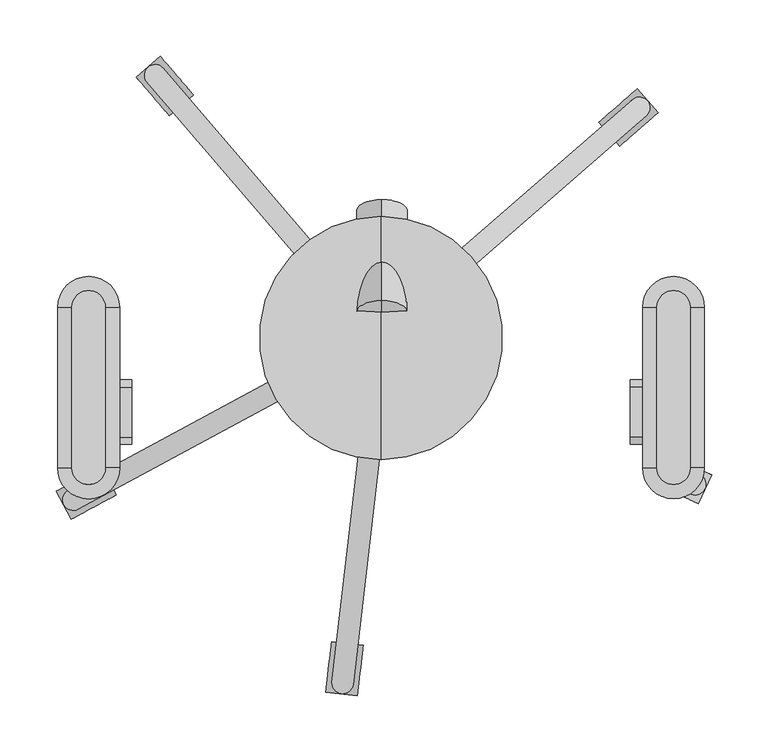
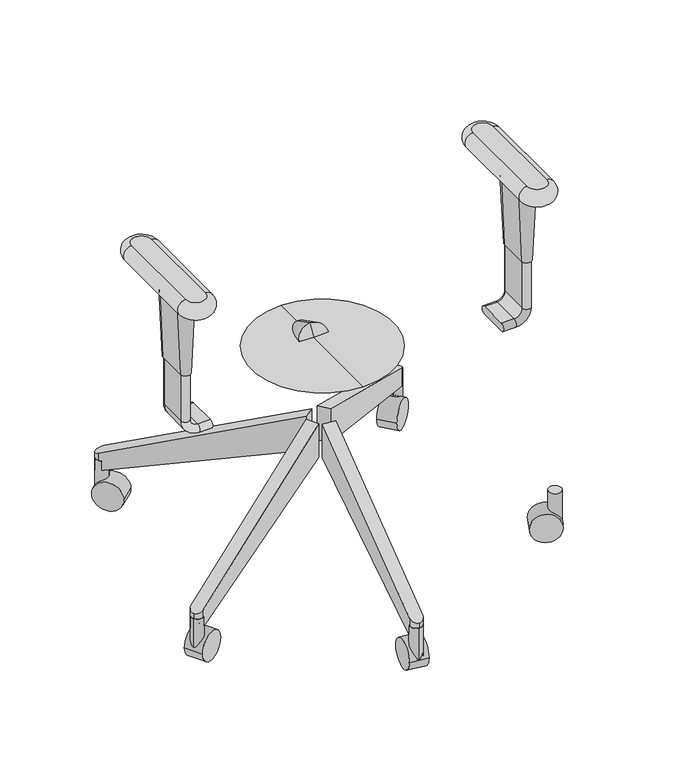
"""IFC4 building model written with IfcOpenShell, lengths in millimetres: proxy geometry."""

from ifc_helpers import new_model, si_unit, point, frame, frame_2d, origin, place, context, project, spatial, polyline, circle_curve, ellipse_curve, trimmed, segment, composite_curve, outline, extrude, source, transform, mapped, element, save
from ifc_brep_helpers import plane_surface, cylinder_surface, revolved_surface, advanced_brep


def specialty_equipment_5da43e03(model_context):
    return source(origin(), model_context, "Body", "SolidModel", [
        advanced_brep(
        [(-244.7915853, 65.3190125, 564.9459091), (-274.5248755, 65.3190125, 564.9459091), (-274.5248755, -77.131927, 564.9459091), (-244.7915853, -77.131927, 564.9459091), (-274.5248755, 65.3190125, 539.608165), (-244.7915853, 65.3190125, 539.608165), (-244.7915853, -77.131927, 539.608165), (-274.5248755, -77.131927, 539.608165)],
        [
            (0, 1, circle_curve(frame((-259.6582304, 65.3190125, 564.9459091), z_axis=(0.0, 0.0, 1.0), x_axis=(1.0, 0.0, 0.0)), 14.8666451)),
            (1, 2),
            (2, 3, circle_curve(frame((-259.6582304, -77.131927, 564.9459091), z_axis=(0.0, 0.0, 1.0), x_axis=(-1.0, 0.0, 0.0)), 14.8666451)),
            (3, 0),
            (4, 5, circle_curve(frame((-259.6582304, 65.3190125, 539.608165), z_axis=(0.0, 0.0, -1.0), x_axis=(1.0, 0.0, 0.0)), 14.8666451)),
            (5, 6),
            (6, 7, circle_curve(frame((-259.6582304, -77.131927, 539.608165), z_axis=(0.0, 0.0, -1.0), x_axis=(-1.0, 0.0, 0.0)), 14.8666451)),
            (7, 4),
            (4, 1, circle_curve(frame((-274.5248755, 65.3190125, 552.277037), z_axis=(0.0, 1.0, 0.0), x_axis=(1.0, 0.0, 0.0)), 12.668872)),
            (0, 5, circle_curve(frame((-244.7915853, 65.3190125, 552.277037), z_axis=(0.0, 1.0, 0.0), x_axis=(-1.0, 0.0, 0.0)), 12.668872)),
            (7, 2, circle_curve(frame((-274.5248755, -77.131927, 552.277037), z_axis=(0.0, 1.0, 0.0), x_axis=(1.0, 0.0, 0.0)), 12.668872)),
            (6, 3, circle_curve(frame((-244.7915853, -77.131927, 552.277037), z_axis=(0.0, -1.0, 0.0), x_axis=(-1.0, 0.0, 0.0)), 12.668872)),
        ],
        [
            plane_surface(frame((-232.0214447, 65.3190125, 564.9459091), z_axis=(0.0, 0.0, 1.0), x_axis=(0.0, 1.0, 0.0))),
            plane_surface(frame((-232.0214447, 65.3190125, 539.608165), z_axis=(0.0, 0.0, -1.0), x_axis=(0.0, -1.0, 0.0))),
            revolved_surface(trimmed(ellipse_curve(frame((-244.7915853, 65.3190125, 552.277037), z_axis=(0.0, -1.0, 0.0), x_axis=(-1.0, 0.0, 0.0)), 12.668872, 12.668872), [point((-244.7915853, 65.3190125, 539.608165))], [point((-244.7915853, 65.3190125, 564.9459091))], True, "CARTESIAN"), (-259.6582304, 65.3190125, 564.9459091), (0.0, 0.0, 1.0)),
            cylinder_surface(frame((-274.5248755, 65.3190125, 552.277037), z_axis=(0.0, -1.0, 0.0), x_axis=(1.0, 0.0, 0.0)), 12.668872),
            revolved_surface(trimmed(ellipse_curve(frame((-274.5248755, -77.131927, 552.277037), z_axis=(0.0, 1.0, 0.0), x_axis=(1.0, 0.0, 0.0)), 12.668872, 12.668872), [point((-274.5248755, -77.131927, 539.608165))], [point((-274.5248755, -77.131927, 564.9459091))], True, "CARTESIAN"), (-259.6582304, -77.131927, 564.9459091), (0.0, 0.0, 1.0)),
            cylinder_surface(frame((-244.7915853, -77.131927, 552.277037), z_axis=(0.0, 1.0, 0.0), x_axis=(-1.0, 0.0, 0.0)), 12.668872),
        ],
        [
            (0, [[1, 2, 3, 4]]),
            (1, [[5, 6, 7, 8]]),
            (2, [[9, -1, 10, -5]]),
            (3, [[-9, -8, 11, -2]]),
            (4, [[-11, -7, 12, -3]]),
            (5, [[-10, -4, -12, -6]]),
        ],
    ),
        advanced_brep(
        [(-272.2112726, -5.4550281, 539.608165), (-272.2112726, -49.9050281, 539.608165), (-246.8112726, -49.9050281, 539.608165), (-246.8112726, -5.4550281, 539.608165), (-267.4487726, -5.4550281, 425.6440254), (-251.5737726, -5.4550281, 425.6440254), (-251.5737726, -49.9050281, 425.6440254), (-267.4487726, -49.9050281, 425.6440254)],
        [
            (0, 1),
            (1, 2, circle_curve(frame((-259.5112726, -49.9050281, 539.608165), z_axis=(0.0, 0.0, 1.0), x_axis=(-1.0, 0.0, 0.0)), 12.7)),
            (2, 3),
            (3, 0, circle_curve(frame((-259.5112726, -5.4550281, 539.608165), z_axis=(0.0, 0.0, 1.0), x_axis=(1.0, 0.0, 0.0)), 12.7)),
            (4, 5, circle_curve(frame((-259.5112726, -5.4550281, 425.6440254), z_axis=(0.0, 0.0, -1.0), x_axis=(1.0, 0.0, 0.0)), 7.9375)),
            (5, 6),
            (6, 7, circle_curve(frame((-259.5112726, -49.9050281, 425.6440254), z_axis=(0.0, 0.0, -1.0), x_axis=(-1.0, 0.0, 0.0)), 7.9375)),
            (7, 4),
            (0, 4),
            (7, 1),
            (6, 2),
            (5, 3),
        ],
        [
            plane_surface(frame((-259.5112726, -27.6800281, 539.608165), z_axis=(0.0, 0.0, 1.0), x_axis=(0.0, -1.0, 0.0))),
            plane_surface(frame((-259.5112726, -27.6800281, 425.6440254), z_axis=(0.0, 0.0, -1.0), x_axis=(0.0, -1.0, 0.0))),
            plane_surface(frame((-267.4487726, -27.6800281, 425.6440254), z_axis=(-0.9991279624642644, 0.0, -0.04175301931606388), x_axis=(0.0, -1.0, 0.0))),
            revolved_surface(polyline([(-251.57377260104474, -49.9050281, 425.6440254), (-246.8112726, -49.9050281, 539.608165)]), (-259.5112726, -49.9050281, 235.7037928), (0.0, 0.0, 1.0)),
            plane_surface(frame((-251.5737726, -27.6800281, 425.6440254), z_axis=(0.9991279624642645, 0.0, -0.04175301931606151), x_axis=(0.0, 1.0, 0.0))),
            revolved_surface(polyline([(-267.44877259895526, -5.4550281, 425.6440254), (-272.2112726, -5.4550281, 539.608165)]), (-259.5112726, -5.4550281, 235.7037928), (0.0, 0.0, 1.0)),
        ],
        [
            (0, [[1, 2, 3, 4]]),
            (1, [[5, 6, 7, 8]]),
            (2, [[-1, 9, -8, 10]]),
            (3, [[-2, -10, -7, 11]]),
            (4, [[-3, -11, -6, 12]]),
            (5, [[-4, -12, -5, -9]]),
        ],
    ),
        advanced_brep(
        [(-221.4112726, -5.4550281, 324.0440254), (-221.4112726, -5.4550281, 336.7440254), (-221.4112726, -49.9050281, 336.7440254), (-221.4112726, -49.9050281, 324.0440254), (-240.4612726, -5.4550281, 324.0440254), (-240.4612726, -5.4550281, 336.7440254), (-240.4612726, -49.9050281, 336.7440254), (-240.4612726, -49.9050281, 324.0440254), (-253.1612726, -5.4550281, 349.4440254), (-265.8612726, -5.4550281, 349.4440254), (-253.1612726, -49.9050281, 349.4440254), (-265.8612726, -49.9050281, 349.4440254), (-265.8612726, -5.4550281, 425.6440254), (-265.8612726, -49.9050281, 425.6440254), (-253.1612726, -49.9050281, 425.6440254), (-253.1612726, -5.4550281, 425.6440254)],
        [
            (0, 1, circle_curve(frame((-221.4112726, -5.4550281, 330.3940254), z_axis=(1.0, 0.0, 0.0), x_axis=(0.0, 1.0, 0.0)), 6.35)),
            (1, 2),
            (2, 3, circle_curve(frame((-221.4112726, -49.9050281, 330.3940254), z_axis=(1.0, 0.0, 0.0), x_axis=(0.0, 1.0, 0.0)), 6.35)),
            (3, 0),
            (0, 4),
            (4, 5, circle_curve(frame((-240.4612726, -5.4550281, 330.3940254), z_axis=(1.0, 0.0, 0.0), x_axis=(0.0, 1.0, 0.0)), 6.35)),
            (5, 1),
            (5, 6),
            (6, 2),
            (6, 7, circle_curve(frame((-240.4612726, -49.9050281, 330.3940254), z_axis=(1.0, 0.0, 0.0), x_axis=(0.0, 1.0, 0.0)), 6.35)),
            (7, 3),
            (7, 4),
            (8, 5, circle_curve(frame((-240.4612726, -5.4550281, 349.4440254), z_axis=(0.0, -1.0, 0.0), x_axis=(0.0, 0.0, -1.0)), 12.7)),
            (4, 9, circle_curve(frame((-240.4612726, -5.4550281, 349.4440254), z_axis=(0.0, 1.0, 0.0), x_axis=(0.0, 0.0, -1.0)), 25.4)),
            (9, 8, circle_curve(frame((-259.5112726, -5.4550281, 349.4440254), z_axis=(0.0, 0.0, -1.0), x_axis=(0.0, 1.0, 0.0)), 6.35)),
            (10, 6, circle_curve(frame((-240.4612726, -49.9050281, 349.4440254), z_axis=(0.0, -1.0, 0.0), x_axis=(0.0, 0.0, -1.0)), 12.7)),
            (8, 10),
            (11, 7, circle_curve(frame((-240.4612726, -49.9050281, 349.4440254), z_axis=(0.0, -1.0, 0.0), x_axis=(0.0, 0.0, -1.0)), 25.4)),
            (10, 11, circle_curve(frame((-259.5112726, -49.9050281, 349.4440254), z_axis=(0.0, 0.0, -1.0), x_axis=(0.0, 1.0, 0.0)), 6.35)),
            (11, 9),
            (12, 13),
            (13, 14, circle_curve(frame((-259.5112726, -49.9050281, 425.6440254), z_axis=(0.0, 0.0, 1.0), x_axis=(0.0, 1.0, 0.0)), 6.35)),
            (14, 15),
            (15, 12, circle_curve(frame((-259.5112726, -5.4550281, 425.6440254), z_axis=(0.0, 0.0, 1.0), x_axis=(0.0, 1.0, 0.0)), 6.35)),
            (9, 12),
            (15, 8),
            (14, 10),
            (13, 11),
        ],
        [
            plane_surface(frame((-221.4112726, -31.75, 324.0440254), z_axis=(1.0, 0.0, 0.0), x_axis=(0.0, 1.0, 0.0))),
            cylinder_surface(frame((-221.4112726, -5.4550281, 330.3940254), z_axis=(1.0, 0.0, 0.0), x_axis=(0.0, 1.0, 0.0)), 6.35),
            plane_surface(frame((-221.4112726, -5.4550281, 336.7440254), z_axis=(0.0, 0.0, 1.0), x_axis=(-1.0, 0.0, 0.0))),
            cylinder_surface(frame((-221.4112726, -49.9050281, 330.3940254), z_axis=(1.0, 0.0, 0.0), x_axis=(0.0, 1.0, 0.0)), 6.35),
            plane_surface(frame((-221.4112726, -49.9050281, 324.0440254), z_axis=(0.0, 0.0, -1.0), x_axis=(-1.0, 0.0, 0.0))),
            revolved_surface(trimmed(ellipse_curve(frame((-240.4612726, -5.4550281, 330.3940254), z_axis=(1.0, 0.0, 0.0), x_axis=(0.0, 1.0, 0.0)), 6.35, 6.35), [point((-240.4612726, -5.4550281, 324.0440254))], [point((-240.4612726, -5.4550281, 336.7440254))], True, "CARTESIAN"), (-240.4612726, -31.75, 349.4440254), (0.0, 1.0, 0.0)),
            revolved_surface(polyline([(-240.4612726, -5.4550281, 336.7440254), (-240.4612726, -49.9050281, 336.7440254)]), (-240.4612726, -31.75, 349.4440254), (0.0, 1.0, 0.0)),
            revolved_surface(trimmed(ellipse_curve(frame((-240.4612726, -49.9050281, 330.3940254), z_axis=(1.0, 0.0, 0.0), x_axis=(0.0, 1.0, 0.0)), 6.35, 6.35), [point((-240.4612726, -49.9050281, 336.7440254))], [point((-240.4612726, -49.9050281, 324.0440254))], True, "CARTESIAN"), (-240.4612726, -31.75, 349.4440254), (0.0, 1.0, 0.0)),
            cylinder_surface(frame((-240.4612726, -31.75, 349.4440254), z_axis=(0.0, 1.0, 0.0), x_axis=(0.0, 0.0, -1.0)), 25.4),
            plane_surface(frame((-265.8612726, -31.75, 425.6440254), z_axis=(0.0, 0.0, 1.0), x_axis=(0.0, 1.0, 0.0))),
            cylinder_surface(frame((-259.5112726, -5.4550281, 349.4440254), z_axis=(0.0, 0.0, -1.0), x_axis=(0.0, 1.0, 0.0)), 6.35),
            plane_surface(frame((-253.1612726, -5.4550281, 349.4440254), z_axis=(1.0, 0.0, 0.0), x_axis=(0.0, 0.0, 1.0))),
            cylinder_surface(frame((-259.5112726, -49.9050281, 349.4440254), z_axis=(0.0, 0.0, -1.0), x_axis=(0.0, 1.0, 0.0)), 6.35),
            plane_surface(frame((-265.8612726, -49.9050281, 349.4440254), z_axis=(-1.0, 0.0, 0.0), x_axis=(0.0, 0.0, 1.0))),
        ],
        [
            (0, [[1, 2, 3, 4]]),
            (1, [[-1, 5, 6, 7]]),
            (2, [[-2, -7, 8, 9]]),
            (3, [[-3, -9, 10, 11]]),
            (4, [[-4, -11, 12, -5]]),
            (5, [[13, -6, 14, 15]]),
            (6, [[16, -8, -13, 17]]),
            (7, [[18, -10, -16, 19]]),
            (8, [[-14, -12, -18, 20]]),
            (9, [[21, 22, 23, 24]]),
            (10, [[-15, 25, -24, 26]]),
            (11, [[-17, -26, -23, 27]]),
            (12, [[-19, -27, -22, 28]]),
            (13, [[-20, -28, -21, -25]]),
        ],
    ),
        advanced_brep(
        [(274.4746752, 65.3190125, 564.9459091), (244.8417856, 65.3190125, 564.9459091), (244.8417856, -77.131927, 564.9459091), (274.4746752, -77.131927, 564.9459091), (244.8417856, 65.3190125, 539.608165), (274.4746752, 65.3190125, 539.608165), (274.4746752, -77.131927, 539.608165), (244.8417856, -77.131927, 539.608165)],
        [
            (0, 1, circle_curve(frame((259.6582304, 65.3190125, 564.9459091), z_axis=(0.0, 0.0, 1.0), x_axis=(1.0, 0.0, 0.0)), 14.8164448)),
            (1, 2),
            (2, 3, circle_curve(frame((259.6582304, -77.131927, 564.9459091), z_axis=(0.0, 0.0, 1.0), x_axis=(-1.0, 0.0, 0.0)), 14.8164448)),
            (3, 0),
            (4, 5, circle_curve(frame((259.6582304, 65.3190125, 539.608165), z_axis=(0.0, 0.0, -1.0), x_axis=(1.0, 0.0, 0.0)), 14.8164448)),
            (5, 6),
            (6, 7, circle_curve(frame((259.6582304, -77.131927, 539.608165), z_axis=(0.0, 0.0, -1.0), x_axis=(-1.0, 0.0, 0.0)), 14.8164448)),
            (7, 4),
            (4, 1, circle_curve(frame((244.8417856, 65.3190125, 552.277037), z_axis=(0.0, 1.0, 0.0), x_axis=(1.0, 0.0, 0.0)), 12.668872)),
            (0, 5, circle_curve(frame((274.4746752, 65.3190125, 552.277037), z_axis=(0.0, 1.0, 0.0), x_axis=(-1.0, 0.0, 0.0)), 12.668872)),
            (7, 2, circle_curve(frame((244.8417856, -77.131927, 552.277037), z_axis=(0.0, 1.0, 0.0), x_axis=(1.0, 0.0, 0.0)), 12.668872)),
            (6, 3, circle_curve(frame((274.4746752, -77.131927, 552.277037), z_axis=(0.0, -1.0, 0.0), x_axis=(-1.0, 0.0, 0.0)), 12.668872)),
        ],
        [
            plane_surface(frame((232.0214447, 59.2606364, 564.9459091), z_axis=(0.0, 0.0, 1.0), x_axis=(0.0, -1.0, 0.0))),
            plane_surface(frame((232.0214447, 59.2606364, 539.608165), z_axis=(0.0, 0.0, -1.0), x_axis=(0.0, 1.0, 0.0))),
            revolved_surface(trimmed(ellipse_curve(frame((274.4746752, 65.3190125, 552.277037), z_axis=(0.0, -1.0, 0.0), x_axis=(-1.0, 0.0, 0.0)), 12.668872, 12.668872), [point((274.4746752, 65.3190125, 539.608165))], [point((274.4746752, 65.3190125, 564.9459091))], True, "CARTESIAN"), (259.6582304, 65.3190125, 564.9459091), (0.0, 0.0, 1.0)),
            cylinder_surface(frame((244.8417856, 65.3190125, 552.277037), z_axis=(0.0, -1.0, 0.0), x_axis=(1.0, 0.0, 0.0)), 12.668872),
            revolved_surface(trimmed(ellipse_curve(frame((244.8417856, -77.131927, 552.277037), z_axis=(0.0, 1.0, 0.0), x_axis=(1.0, 0.0, 0.0)), 12.668872, 12.668872), [point((244.8417856, -77.131927, 539.608165))], [point((244.8417856, -77.131927, 564.9459091))], True, "CARTESIAN"), (259.6582304, -77.131927, 564.9459091), (0.0, 0.0, 1.0)),
            cylinder_surface(frame((274.4746752, -77.131927, 552.277037), z_axis=(0.0, 1.0, 0.0), x_axis=(-1.0, 0.0, 0.0)), 12.668872),
        ],
        [
            (0, [[1, 2, 3, 4]]),
            (1, [[5, 6, 7, 8]]),
            (2, [[9, -1, 10, -5]]),
            (3, [[-9, -8, 11, -2]]),
            (4, [[-11, -7, 12, -3]]),
            (5, [[-10, -4, -12, -6]]),
        ],
    ),
        advanced_brep(
        [(272.2112726, -5.4550281, 539.608165), (246.8112726, -5.4550281, 539.608165), (246.8112726, -49.9050281, 539.608165), (272.2112726, -49.9050281, 539.608165), (267.4487726, -5.4550281, 425.6440254), (267.4487726, -49.9050281, 425.6440254), (251.5737726, -49.9050281, 425.6440254), (251.5737726, -5.4550281, 425.6440254)],
        [
            (0, 1, circle_curve(frame((259.5112726, -5.4550281, 539.608165), z_axis=(0.0, 0.0, 1.0), x_axis=(1.0, 0.0, 0.0)), 12.7)),
            (1, 2),
            (2, 3, circle_curve(frame((259.5112726, -49.9050281, 539.608165), z_axis=(0.0, 0.0, 1.0), x_axis=(-1.0, 0.0, 0.0)), 12.7)),
            (3, 0),
            (4, 5),
            (5, 6, circle_curve(frame((259.5112726, -49.9050281, 425.6440254), z_axis=(0.0, 0.0, -1.0), x_axis=(-1.0, 0.0, 0.0)), 7.9375)),
            (6, 7),
            (7, 4, circle_curve(frame((259.5112726, -5.4550281, 425.6440254), z_axis=(0.0, 0.0, -1.0), x_axis=(1.0, 0.0, 0.0)), 7.9375)),
            (0, 4),
            (7, 1),
            (6, 2),
            (5, 3),
        ],
        [
            plane_surface(frame((259.5112726, -27.6800281, 539.608165), z_axis=(0.0, 0.0, 1.0), x_axis=(0.0, 1.0, 0.0))),
            plane_surface(frame((259.5112726, -27.6800281, 425.6440254), z_axis=(0.0, 0.0, -1.0), x_axis=(0.0, 1.0, 0.0))),
            revolved_surface(polyline([(251.57377260104474, -5.4550281, 425.6440254), (246.8112726, -5.4550281, 539.608165)]), (259.5112726, -5.4550281, 235.7037928), (0.0, 0.0, 1.0)),
            plane_surface(frame((251.5737726, -27.6800281, 425.6440254), z_axis=(-0.9991279624642644, 0.0, -0.04175301931606269), x_axis=(0.0, -1.0, 0.0))),
            revolved_surface(polyline([(267.44877259895526, -49.9050281, 425.6440254), (272.2112726, -49.9050281, 539.608165)]), (259.5112726, -49.9050281, 235.7037928), (0.0, 0.0, 1.0)),
            plane_surface(frame((267.4487726, -27.6800281, 425.6440254), z_axis=(0.9991279624642644, 0.0, -0.04175301931606269), x_axis=(0.0, 1.0, 0.0))),
        ],
        [
            (0, [[1, 2, 3, 4]]),
            (1, [[5, 6, 7, 8]]),
            (2, [[-1, 9, -8, 10]]),
            (3, [[-2, -10, -7, 11]]),
            (4, [[-3, -11, -6, 12]]),
            (5, [[-4, -12, -5, -9]]),
        ],
    ),
        advanced_brep(
        [(221.4112726, -5.4550281, 324.0440254), (221.4112726, -49.9050281, 324.0440254), (221.4112726, -49.9050281, 336.7440254), (221.4112726, -5.4550281, 336.7440254), (240.4612726, -5.4550281, 324.0440254), (240.4612726, -49.9050281, 324.0440254), (240.4612726, -49.9050281, 336.7440254), (240.4612726, -5.4550281, 336.7440254), (265.8612726, -49.9050281, 349.4440254), (265.8612726, -5.4550281, 349.4440254), (253.1612726, -49.9050281, 349.4440254), (253.1612726, -5.4550281, 349.4440254), (265.8612726, -5.4550281, 425.6440254), (253.1612726, -5.4550281, 425.6440254), (253.1612726, -49.9050281, 425.6440254), (265.8612726, -49.9050281, 425.6440254)],
        [
            (0, 1),
            (1, 2, circle_curve(frame((221.4112726, -49.9050281, 330.3940254), z_axis=(-1.0, 0.0, 0.0), x_axis=(0.0, 1.0, 0.0)), 6.35)),
            (2, 3),
            (3, 0, circle_curve(frame((221.4112726, -5.4550281, 330.3940254), z_axis=(-1.0, 0.0, 0.0), x_axis=(0.0, 1.0, 0.0)), 6.35)),
            (0, 4),
            (4, 5),
            (5, 1),
            (5, 6, circle_curve(frame((240.4612726, -49.9050281, 330.3940254), z_axis=(-1.0, 0.0, 0.0), x_axis=(0.0, 1.0, 0.0)), 6.35)),
            (6, 2),
            (6, 7),
            (7, 3),
            (7, 4, circle_curve(frame((240.4612726, -5.4550281, 330.3940254), z_axis=(-1.0, 0.0, 0.0), x_axis=(0.0, 1.0, 0.0)), 6.35)),
            (8, 5, circle_curve(frame((240.4612726, -49.9050281, 349.4440254), z_axis=(0.0, 1.0, 0.0), x_axis=(0.0, 0.0, -1.0)), 25.4)),
            (4, 9, circle_curve(frame((240.4612726, -5.4550281, 349.4440254), z_axis=(0.0, -1.0, 0.0), x_axis=(0.0, 0.0, -1.0)), 25.4)),
            (9, 8),
            (10, 6, circle_curve(frame((240.4612726, -49.9050281, 349.4440254), z_axis=(0.0, 1.0, 0.0), x_axis=(0.0, 0.0, -1.0)), 12.7)),
            (8, 10, circle_curve(frame((259.5112726, -49.9050281, 349.4440254), z_axis=(0.0, 0.0, -1.0), x_axis=(0.0, 1.0, 0.0)), 6.35)),
            (11, 7, circle_curve(frame((240.4612726, -5.4550281, 349.4440254), z_axis=(0.0, 1.0, 0.0), x_axis=(0.0, 0.0, -1.0)), 12.7)),
            (10, 11),
            (11, 9, circle_curve(frame((259.5112726, -5.4550281, 349.4440254), z_axis=(0.0, 0.0, -1.0), x_axis=(0.0, 1.0, 0.0)), 6.35)),
            (12, 13, circle_curve(frame((259.5112726, -5.4550281, 425.6440254), z_axis=(0.0, 0.0, 1.0), x_axis=(0.0, 1.0, 0.0)), 6.35)),
            (13, 14),
            (14, 15, circle_curve(frame((259.5112726, -49.9050281, 425.6440254), z_axis=(0.0, 0.0, 1.0), x_axis=(0.0, 1.0, 0.0)), 6.35)),
            (15, 12),
            (9, 12),
            (15, 8),
            (14, 10),
            (13, 11),
        ],
        [
            plane_surface(frame((221.4112726, -31.75, 324.0440254), z_axis=(-1.0, 0.0, 0.0), x_axis=(0.0, 1.0, 0.0))),
            plane_surface(frame((221.4112726, -5.4550281, 324.0440254), z_axis=(0.0, 0.0, -1.0), x_axis=(1.0, 0.0, 0.0))),
            cylinder_surface(frame((221.4112726, -49.9050281, 330.3940254), z_axis=(-1.0, 0.0, 0.0), x_axis=(0.0, 1.0, 0.0)), 6.35),
            plane_surface(frame((221.4112726, -49.9050281, 336.7440254), z_axis=(0.0, 0.0, 1.0), x_axis=(1.0, 0.0, 0.0))),
            cylinder_surface(frame((221.4112726, -5.4550281, 330.3940254), z_axis=(-1.0, 0.0, 0.0), x_axis=(0.0, 1.0, 0.0)), 6.35),
            cylinder_surface(frame((240.4612726, -31.75, 349.4440254), z_axis=(0.0, -1.0, 0.0), x_axis=(0.0, 0.0, -1.0)), 25.4),
            revolved_surface(trimmed(ellipse_curve(frame((240.4612726, -49.9050281, 330.3940254), z_axis=(-1.0, 0.0, 0.0), x_axis=(0.0, 1.0, 0.0)), 6.35, 6.35), [point((240.4612726, -49.9050281, 324.0440254))], [point((240.4612726, -49.9050281, 336.7440254))], True, "CARTESIAN"), (240.4612726, -31.75, 349.4440254), (0.0, -1.0, 0.0)),
            revolved_surface(polyline([(240.4612726, -49.9050281, 336.7440254), (240.4612726, -5.4550281, 336.7440254)]), (240.4612726, -31.75, 349.4440254), (0.0, -1.0, 0.0)),
            revolved_surface(trimmed(ellipse_curve(frame((240.4612726, -5.4550281, 330.3940254), z_axis=(-1.0, 0.0, 0.0), x_axis=(0.0, 1.0, 0.0)), 6.35, 6.35), [point((240.4612726, -5.4550281, 336.7440254))], [point((240.4612726, -5.4550281, 324.0440254))], True, "CARTESIAN"), (240.4612726, -31.75, 349.4440254), (0.0, -1.0, 0.0)),
            plane_surface(frame((265.8612726, -31.75, 425.6440254), z_axis=(0.0, 0.0, 1.0), x_axis=(0.0, 1.0, 0.0))),
            plane_surface(frame((265.8612726, -5.4550281, 349.4440254), z_axis=(1.0, 0.0, 0.0), x_axis=(0.0, 0.0, 1.0))),
            cylinder_surface(frame((259.5112726, -49.9050281, 349.4440254), z_axis=(0.0, 0.0, -1.0), x_axis=(0.0, 1.0, 0.0)), 6.35),
            plane_surface(frame((253.1612726, -49.9050281, 349.4440254), z_axis=(-1.0, 0.0, 0.0), x_axis=(0.0, 0.0, 1.0))),
            cylinder_surface(frame((259.5112726, -5.4550281, 349.4440254), z_axis=(0.0, 0.0, -1.0), x_axis=(0.0, 1.0, 0.0)), 6.35),
        ],
        [
            (0, [[1, 2, 3, 4]]),
            (1, [[-1, 5, 6, 7]]),
            (2, [[-2, -7, 8, 9]]),
            (3, [[-3, -9, 10, 11]]),
            (4, [[-4, -11, 12, -5]]),
            (5, [[13, -6, 14, 15]]),
            (6, [[16, -8, -13, 17]]),
            (7, [[18, -10, -16, 19]]),
            (8, [[-14, -12, -18, 20]]),
            (9, [[21, 22, 23, 24]]),
            (10, [[-15, 25, -24, 26]]),
            (11, [[-17, -26, -23, 27]]),
            (12, [[-19, -27, -22, 28]]),
            (13, [[-20, -28, -21, -25]]),
        ],
    ),
        advanced_brep(
        [(0.7579549, 50.7773619, 300.8203454), (0.7579549, 71.2714503, 341.0422587), (0.7579549, 59.9704355, 321.4683269), (0.7579549, 140.5414689, 255.0832484), (0.7579549, 161.0355573, 295.3051617), (0.7579549, 156.2865878, 272.3927961)],
        [
            (0, 1, circle_curve(frame((0.7579549, 61.0244061, 320.931302), z_axis=(0.0, -0.8910065241883681, 0.45399049973954636), x_axis=(0.0, 0.45399049973954636, 0.8910065241883681)), 22.5710543)),
            (1, 2),
            (2, 0),
            (1, 0, circle_curve(frame((0.7579549, 61.0244061, 320.931302), z_axis=(0.0, -0.8910065241883681, 0.45399049973954636), x_axis=(0.0, 0.45399049973954636, 0.8910065241883681)), 22.5710543)),
            (3, 4, circle_curve(frame((0.7579549, 150.7885131, 275.1942051), z_axis=(0.0, -0.8910065241883681, 0.45399049973954636), x_axis=(0.0, 0.45399049973954636, 0.8910065241883681)), 22.5710543)),
            (4, 1),
            (0, 3),
            (4, 3, circle_curve(frame((0.7579549, 150.7885131, 275.1942051), z_axis=(0.0, -0.8910065241883681, 0.45399049973954636), x_axis=(0.0, 0.45399049973954636, 0.8910065241883681)), 22.5710543)),
            (5, 4, circle_curve(frame((0.7579549, 116.7564404, 292.5344122), z_axis=(1.0, 0.0, 0.0), x_axis=(0.0, 1.0, 0.0)), 44.3657216)),
            (3, 5, circle_curve(frame((0.7579549, 116.7564404, 292.5344122), z_axis=(1.0, 0.0, 0.0), x_axis=(0.0, 0.587785252292474, -0.8090169943749469)), 44.3657216)),
        ],
        [
            revolved_surface(polyline([(0.7579549, 59.9704355, 321.4683269), (0.7579549, 71.2714503, 341.0422587)]), (0.7579549, 89.8360219, 306.2510506), (0.0, 0.8910065241883681, -0.45399049973954636)),
            cylinder_surface(frame((0.7579549, 89.8360219, 306.2510506), z_axis=(0.0, 0.8910065241883681, -0.45399049973954636), x_axis=(0.0, 0.45399049973954636, 0.8910065241883681)), 22.5710543),
            revolved_surface(trimmed(ellipse_curve(frame((0.7579549, 116.7564404, 292.5344122), z_axis=(-1.0, 0.0, 0.0), x_axis=(0.0, 1.0, 0.0)), 44.3657216, 44.3657216), [point((0.7579549, 161.0355573, 295.3051617))], [point((0.7579549, 156.2865878, 272.3927961))], True, "CARTESIAN"), (0.7579549, 89.8360219, 306.2510506), (0.0, 0.8910065241883681, -0.45399049973954636)),
        ],
        [
            (0, [[1, 2, 3]]),
            (0, [[4, -3, -2]]),
            (1, [[5, 6, -1, 7]]),
            (1, [[8, -7, -4, -6]]),
            (2, [[9, -5, 10]]),
            (2, [[-10, -8, -9]]),
        ],
    ),
        advanced_brep(
        [(0.0, 38.1, 324.0440254), (0.0, -69.85, 324.0440254), (0.0, 146.05, 324.0440254), (0.0, 50.8, 278.9664474), (0.0, 25.4, 278.9664474), (0.0, 38.1, 278.9664474)],
        [
            (0, 1),
            (1, 2, circle_curve(frame((0.0, 38.1, 324.0440254), z_axis=(0.0, 0.0, 1.0), x_axis=(0.0, -1.0, 0.0)), 107.95)),
            (2, 0),
            (2, 1, circle_curve(frame((0.0, 38.1, 324.0440254), z_axis=(0.0, 0.0, 1.0), x_axis=(0.0, -1.0, 0.0)), 107.95)),
            (3, 4, circle_curve(frame((0.0, 38.1, 278.9664474), z_axis=(0.0, 0.0, -1.0), x_axis=(0.0, -1.0, 0.0)), 12.7)),
            (4, 5),
            (5, 3),
            (4, 3, circle_curve(frame((0.0, 38.1, 278.9664474), z_axis=(0.0, 0.0, -1.0), x_axis=(0.0, -1.0, 0.0)), 12.7)),
            (1, 4),
            (3, 2),
        ],
        [
            plane_surface(frame((0.0, 38.1, 324.0440254), z_axis=(0.0, 0.0, 1.0), x_axis=(0.0, -1.0, 0.0))),
            plane_surface(frame((0.0, 38.1, 278.9664474), z_axis=(0.0, 0.0, -1.0), x_axis=(0.0, -1.0, 0.0))),
            revolved_surface(polyline([(0.0, 25.4, 278.9664474), (0.0, -69.85, 324.0440254)]), (0.0, 38.1, 278.9664474), (0.0, 0.0, 1.0)),
        ],
        [
            (0, [[1, 2, 3]]),
            (0, [[-3, 4, -1]]),
            (1, [[5, 6, 7]]),
            (1, [[8, -7, -6]]),
            (2, [[-2, 9, -5, 10]]),
            (2, [[-4, -10, -8, -9]]),
        ],
    ),
        advanced_brep(
        [(-35.2798856, -277.5318237, 73.9191719), (-24.8402492, -269.635782, 73.9191719), (-33.0987126, -258.7169749, 73.9191719), (-43.6580109, -267.9440949, 73.9191719), (-35.2798856, -277.5318237, 24.010186), (-43.6580109, -267.9440949, 24.010186), (-33.0987126, -258.7169749, 24.010186), (-24.8402492, -269.635782, 24.010186)],
        [
            (0, 1, circle_curve(frame((-34.1892991, -268.1243993, 73.9191719), z_axis=(0.0, 0.0, 1.0), x_axis=(0.1151570430509366, 0.9933472984992534, 0.0)), 9.4704283)),
            (1, 2, circle_curve(frame((-34.1892991, -268.1243993, 73.9191719), z_axis=(0.0, 0.0, 1.0), x_axis=(0.1151570430509366, 0.9933472984992534, 0.0)), 9.4704283)),
            (2, 3, circle_curve(frame((-34.1892991, -268.1243993, 73.9191719), z_axis=(0.0, 0.0, 1.0), x_axis=(0.1151570430509366, 0.9933472984992534, 0.0)), 9.4704283)),
            (3, 0, circle_curve(frame((-34.1892991, -268.1243993, 73.9191719), z_axis=(0.0, 0.0, 1.0), x_axis=(0.1151570430509366, 0.9933472984992534, 0.0)), 9.4704283)),
            (4, 5, circle_curve(frame((-34.1892991, -268.1243993, 24.010186), z_axis=(0.0, 0.0, -1.0), x_axis=(0.1151570430509366, 0.9933472984992534, 0.0)), 9.4704283)),
            (5, 6, circle_curve(frame((-34.1892991, -268.1243993, 24.010186), z_axis=(0.0, 0.0, -1.0), x_axis=(0.1151570430509366, 0.9933472984992534, 0.0)), 9.4704283)),
            (6, 7, circle_curve(frame((-34.1892991, -268.1243993, 24.010186), z_axis=(0.0, 0.0, -1.0), x_axis=(0.1151570430509366, 0.9933472984992534, 0.0)), 9.4704283)),
            (7, 4, circle_curve(frame((-34.1892991, -268.1243993, 24.010186), z_axis=(0.0, 0.0, -1.0), x_axis=(0.1151570430509366, 0.9933472984992534, 0.0)), 9.4704283)),
            (0, 4),
            (6, 2),
        ],
        [
            plane_surface(frame((-33.0987126, -258.7169749, 73.9191719), z_axis=(0.0, 0.0, 1.0000000000000002), x_axis=(-0.9933472984992534, 0.1151570430509366, 0.0))),
            plane_surface(frame((-33.0987126, -258.7169749, 24.010186), z_axis=(0.0, 0.0, -1.0000000000000002), x_axis=(0.9933472984992534, -0.1151570430509366, 0.0))),
            cylinder_surface(frame((-34.1892991, -268.1243993, 24.010186), z_axis=(0.0, 0.0, 1.0000000000000002), x_axis=(0.1151570430509366, 0.9933472984992534, 0.0)), 9.4704283),
        ],
        [
            (0, [[1, 2, 3, 4]]),
            (1, [[5, 6, 7, 8]]),
            (2, [[9, -8, -7, 10, -2, -1]]),
            (2, [[-9, -4, -3, -10, -6, -5]]),
        ],
    ),
        advanced_brep(
        [(-10.2230636, 20.4665287, 158.3164474), (-10.2230636, 20.4665287, 212.7487443), (8.5386668, 18.2915135, 212.7487443), (8.5386668, 18.2915135, 158.3164474), (-24.8402492, -269.635782, 57.8258095), (-35.2798856, -277.5318237, 54.689734), (-43.6580109, -267.9440949, 57.6571213), (-24.8402492, -269.635782, 86.2220806), (-43.6580109, -267.9440949, 86.0096871), (-35.2798856, -277.5318237, 82.2734822)],
        [
            (0, 1),
            (1, 2),
            (2, 3),
            (3, 0),
            (3, 4),
            (4, 5, ellipse_curve(frame((-34.1892991, -268.1243993, 57.9730562), z_axis=(0.03772137343102609, 0.3253854336709328, -0.9448287768380345), x_axis=(-0.1088036881301013, -0.9385431130164155, -0.3275646233321655)), 10.0234334, 9.4704283)),
            (5, 6, ellipse_curve(frame((-34.1892991, -268.1243993, 57.9730562), z_axis=(0.03772137343102609, 0.3253854336709328, -0.9448287768380345), x_axis=(-0.1088036881301013, -0.9385431130164155, -0.3275646233321655)), 10.0234334, 9.4704283)),
            (6, 0),
            (2, 7),
            (7, 4),
            (1, 8),
            (8, 9, ellipse_curve(frame((-34.1892991, -268.1243993, 86.4074773), z_axis=(-0.046069943732865715, -0.3974003928601444, 0.9164881276039825), x_axis=(-0.10554006276616408, -0.910391005662055, -0.400061885163966)), 10.333389, 9.4704283)),
            (9, 7, ellipse_curve(frame((-34.1892991, -268.1243993, 86.4074773), z_axis=(-0.046069943732865715, -0.3974003928601444, 0.9164881276039825), x_axis=(-0.10554006276616408, -0.910391005662055, -0.400061885163966)), 10.333389, 9.4704283)),
            (6, 8),
            (5, 9),
        ],
        [
            plane_surface(frame((-0.8421984, 19.3790211, 185.5325958), z_axis=(0.11515704305094802, 0.9933472984992521, 0.0), x_axis=(0.0, 0.0, 1.0))),
            plane_surface(frame((-0.8421984, 19.3790211, 158.3164474), z_axis=(0.03772137343102609, 0.3253854336709328, -0.9448287768380345), x_axis=(0.9933472984992534, -0.1151570430509366, 0.0))),
            plane_surface(frame((8.5386668, 18.2915135, 185.5325958), z_axis=(0.9933472984992534, -0.11515704305093587, 0.0), x_axis=(0.0, 0.0, 1.0))),
            plane_surface(frame((-0.8421984, 19.3790211, 212.7487443), z_axis=(-0.046069943732865715, -0.3974003928601444, 0.9164881276039825), x_axis=(-0.9933472984992534, 0.1151570430509366, 0.0))),
            plane_surface(frame((-10.2230636, 20.4665287, 185.5325958), z_axis=(-0.9933472984992533, 0.11515704305093748, 0.0), x_axis=(0.0, 0.0, -1.0))),
            cylinder_surface(frame((-34.1892991, -268.1243993, 0.0), z_axis=(0.0, 0.0, -1.0000000000000002), x_axis=(0.1151570430509366, 0.9933472984992534, 0.0)), 9.4704283),
        ],
        [
            (0, [[1, 2, 3, 4]]),
            (1, [[-4, 5, 6, 7, 8]]),
            (2, [[-3, 9, 10, -5]]),
            (3, [[-2, 11, 12, 13, -9]]),
            (4, [[-1, -8, 14, -11]]),
            (5, [[15, -12, -14, -7]]),
            (5, [[-15, -6, -10, -13]]),
        ],
    ),
        extrude(outline(composite_curve([segment(trimmed(circle_curve(frame_2d((0.0, -22.5683941)), 22.5683942), [point((0.0, -45.1367884))], [point((0.0, 0.0))], False, "CARTESIAN"), True, "CONTINUOUS"), segment(trimmed(circle_curve(frame_2d((0.0, -22.5683941)), 22.5683942), [point((0.0, 0.0))], [point((0.0, -45.1367884))], False, "CARTESIAN"), True, "CONTINUOUS")], self_intersect=False)), frame((-235.2623876, -101.1887519, 22.3266274), z_axis=(-0.475429476302697, 0.8797538366284875, 0.0), x_axis=(0.0, 0.0, 1.0)), (0.0, 0.0, 1.0), 28.170451),
        extrude(outline(composite_curve([segment(trimmed(circle_curve(frame_2d((0.0, -22.5683942)), 22.5683942), [point((0.0, -45.1367883))], [point((0.0, 0.0))], False, "CARTESIAN"), True, "CONTINUOUS"), segment(trimmed(circle_curve(frame_2d((0.0, -22.5683942)), 22.5683942), [point((0.0, 0.0))], [point((0.0, -45.1367883))], False, "CARTESIAN"), True, "CONTINUOUS")], self_intersect=False)), frame((-15.9266679, -234.5485115, 22.3266274), z_axis=(-0.9933472984992534, 0.1151570430509366, 0.0), x_axis=(0.0, 0.0, 1.0)), (0.0, 0.0, 1.0), 28.170451),
        advanced_brep(
        [(-281.5728053, -109.989739, 73.9191719), (-269.1168171, -114.0124051, 73.9191719), (-264.909514, -100.9846975, 73.9191719), (-278.5244929, -97.6274853, 73.9191719), (-281.5728053, -109.989739, 24.010186), (-278.5244929, -97.6274853, 24.010186), (-264.909514, -100.9846975, 24.010186), (-269.1168171, -114.0124051, 24.010186)],
        [
            (0, 1, circle_curve(frame((-273.2411596, -105.4872182, 73.9191719), z_axis=(0.0, 0.0, 1.0), x_axis=(0.8797538366284874, 0.475429476302697, 0.0)), 9.4704283)),
            (1, 2, circle_curve(frame((-273.2411596, -105.4872182, 73.9191719), z_axis=(0.0, 0.0, 1.0), x_axis=(0.8797538366284874, 0.475429476302697, 0.0)), 9.4704283)),
            (2, 3, circle_curve(frame((-273.2411596, -105.4872182, 73.9191719), z_axis=(0.0, 0.0, 1.0), x_axis=(0.8797538366284874, 0.475429476302697, 0.0)), 9.4704283)),
            (3, 0, circle_curve(frame((-273.2411596, -105.4872182, 73.9191719), z_axis=(0.0, 0.0, 1.0), x_axis=(0.8797538366284874, 0.475429476302697, 0.0)), 9.4704283)),
            (4, 5, circle_curve(frame((-273.2411596, -105.4872182, 24.010186), z_axis=(0.0, 0.0, -1.0), x_axis=(0.8797538366284874, 0.475429476302697, 0.0)), 9.4704283)),
            (5, 6, circle_curve(frame((-273.2411596, -105.4872182, 24.010186), z_axis=(0.0, 0.0, -1.0), x_axis=(0.8797538366284874, 0.475429476302697, 0.0)), 9.4704283)),
            (6, 7, circle_curve(frame((-273.2411596, -105.4872182, 24.010186), z_axis=(0.0, 0.0, -1.0), x_axis=(0.8797538366284874, 0.475429476302697, 0.0)), 9.4704283)),
            (7, 4, circle_curve(frame((-273.2411596, -105.4872182, 24.010186), z_axis=(0.0, 0.0, -1.0), x_axis=(0.8797538366284874, 0.475429476302697, 0.0)), 9.4704283)),
            (0, 4),
            (6, 2),
        ],
        [
            plane_surface(frame((-264.909514, -100.9846975, 73.9191719), z_axis=(0.0, 0.0, 1.0), x_axis=(-0.475429476302697, 0.8797538366284874, 0.0))),
            plane_surface(frame((-264.909514, -100.9846975, 24.010186), z_axis=(0.0, 0.0, -1.0), x_axis=(0.475429476302697, -0.8797538366284874, 0.0))),
            cylinder_surface(frame((-273.2411596, -105.4872182, 24.010186), z_axis=(0.0, 0.0, 1.0), x_axis=(0.8797538366284874, 0.475429476302697, 0.0)), 9.4704283),
        ],
        [
            (0, [[1, 2, 3, 4]]),
            (1, [[5, 6, 7, 8]]),
            (2, [[9, -8, -7, 10, -2, -1]]),
            (2, [[-9, -4, -3, -10, -6, -5]]),
        ],
    ),
        advanced_brep(
        [(-23.0948431, 40.4097469, 158.3164474), (-23.0948431, 40.4097469, 212.7487443), (-14.1152247, 23.7934997, 212.7487443), (-14.1152247, 23.7934997, 158.3164474), (-269.1168171, -114.0124051, 57.8258095), (-281.5728053, -109.989739, 54.689734), (-278.5244929, -97.6274853, 57.6571213), (-269.1168171, -114.0124051, 86.2220806), (-278.5244929, -97.6274853, 86.0096871), (-281.5728053, -109.989739, 82.2734822)],
        [
            (0, 1),
            (1, 2),
            (2, 3),
            (3, 0),
            (3, 4),
            (4, 5, ellipse_curve(frame((-273.2411596, -105.4872182, 57.9730562), z_axis=(0.28817623412023846, 0.15573387732610194, -0.9448287768380345), x_axis=(-0.8312167413802618, -0.44919945056782457, -0.32756462333216557)), 10.0234334, 9.4704283)),
            (5, 6, ellipse_curve(frame((-273.2411596, -105.4872182, 57.9730562), z_axis=(0.28817623412023846, 0.15573387732610194, -0.9448287768380345), x_axis=(-0.8312167413802618, -0.44919945056782457, -0.32756462333216557)), 10.0234334, 9.4704283)),
            (6, 0),
            (2, 7),
            (7, 4),
            (1, 8),
            (8, 9, ellipse_curve(frame((-273.2411596, -105.4872182, 86.4074773), z_axis=(-0.35195597836182463, -0.19020121255217418, 0.9164881276039823), x_axis=(-0.8062839464840623, -0.43572547054440075, -0.40006188516396635)), 10.333389, 9.4704283)),
            (9, 7, ellipse_curve(frame((-273.2411596, -105.4872182, 86.4074773), z_axis=(-0.35195597836182463, -0.19020121255217418, 0.9164881276039823), x_axis=(-0.8062839464840623, -0.43572547054440075, -0.40006188516396635)), 10.333389, 9.4704283)),
            (6, 8),
            (5, 9),
        ],
        [
            plane_surface(frame((-18.6050339, 32.1016233, 185.5325958), z_axis=(0.8797538366284872, 0.4754294763026976, 0.0), x_axis=(0.0, 0.0, 1.0))),
            plane_surface(frame((-18.6050339, 32.1016233, 158.3164474), z_axis=(0.28817623412023846, 0.15573387732610194, -0.9448287768380345), x_axis=(0.475429476302697, -0.8797538366284874, 0.0))),
            plane_surface(frame((-14.1152247, 23.7934997, 185.5325958), z_axis=(0.475429476302697, -0.8797538366284875, 0.0), x_axis=(0.0, 0.0, 1.0))),
            plane_surface(frame((-18.6050339, 32.1016233, 212.7487443), z_axis=(-0.35195597836182463, -0.19020121255217418, 0.9164881276039823), x_axis=(-0.475429476302697, 0.8797538366284874, 0.0))),
            plane_surface(frame((-23.0948431, 40.4097469, 185.5325958), z_axis=(-0.4754294763026961, 0.8797538366284879, 0.0), x_axis=(0.0, 0.0, -1.0))),
            cylinder_surface(frame((-273.2411596, -105.4872182, 0.0), z_axis=(0.0, 0.0, -1.0), x_axis=(0.8797538366284874, 0.475429476302697, 0.0)), 9.4704283),
        ],
        [
            (0, [[1, 2, 3, 4]]),
            (1, [[-4, 5, 6, 7, 8]]),
            (2, [[-3, 9, 10, -5]]),
            (3, [[-2, 11, 12, 13, -9]]),
            (4, [[-1, -8, 14, -11]]),
            (5, [[15, -12, -14, -7]]),
            (5, [[-15, -6, -10, -13]]),
        ],
    ),
        extrude(outline(composite_curve([segment(trimmed(circle_curve(frame_2d((0.0, -22.5683941)), 22.5683942), [point((0.0, -45.1367883))], [point((0.0, 0.0))], False, "CARTESIAN"), True, "CONTINUOUS"), segment(trimmed(circle_curve(frame_2d((0.0, -22.5683941)), 22.5683942), [point((0.0, 0.0))], [point((0.0, -45.1367883))], False, "CARTESIAN"), True, "CONTINUOUS")], self_intersect=False)), frame((-188.0389342, 235.6208075, 22.3266274), z_axis=(0.7591272317932002, 0.6509422754361504, 0.0), x_axis=(0.0, 0.0, 1.0)), (0.0, 0.0, 1.0), 28.170451),
        advanced_brep(
        [(-206.7344855, 278.7707437, 73.9191719), (-208.3188762, 266.1371681, 73.9191719), (-194.4050812, 264.3922237, 73.9191719), (-193.6642242, 278.0623991, 73.9191719), (-206.7344855, 278.7707437, 24.010186), (-193.6642242, 278.0623991, 24.010186), (-194.4050812, 264.3922237, 24.010186), (-208.3188762, 266.1371681, 24.010186)],
        [
            (0, 1, circle_curve(frame((-200.5697833, 271.5814837, 73.9191719), z_axis=(0.0, 0.0, 1.0), x_axis=(0.6509422754361504, -0.7591272317932001, 0.0)), 9.4704283)),
            (1, 2, circle_curve(frame((-200.5697833, 271.5814837, 73.9191719), z_axis=(0.0, 0.0, 1.0), x_axis=(0.6509422754361504, -0.7591272317932001, 0.0)), 9.4704283)),
            (2, 3, circle_curve(frame((-200.5697833, 271.5814837, 73.9191719), z_axis=(0.0, 0.0, 1.0), x_axis=(0.6509422754361504, -0.7591272317932001, 0.0)), 9.4704283)),
            (3, 0, circle_curve(frame((-200.5697833, 271.5814837, 73.9191719), z_axis=(0.0, 0.0, 1.0), x_axis=(0.6509422754361504, -0.7591272317932001, 0.0)), 9.4704283)),
            (4, 5, circle_curve(frame((-200.5697833, 271.5814837, 24.010186), z_axis=(0.0, 0.0, -1.0), x_axis=(0.6509422754361504, -0.7591272317932001, 0.0)), 9.4704283)),
            (5, 6, circle_curve(frame((-200.5697833, 271.5814837, 24.010186), z_axis=(0.0, 0.0, -1.0), x_axis=(0.6509422754361504, -0.7591272317932001, 0.0)), 9.4704283)),
            (6, 7, circle_curve(frame((-200.5697833, 271.5814837, 24.010186), z_axis=(0.0, 0.0, -1.0), x_axis=(0.6509422754361504, -0.7591272317932001, 0.0)), 9.4704283)),
            (7, 4, circle_curve(frame((-200.5697833, 271.5814837, 24.010186), z_axis=(0.0, 0.0, -1.0), x_axis=(0.6509422754361504, -0.7591272317932001, 0.0)), 9.4704283)),
            (0, 4),
            (6, 2),
        ],
        [
            plane_surface(frame((-194.4050812, 264.3922237, 73.9191719), z_axis=(0.0, 0.0, 1.0), x_axis=(0.7591272317932001, 0.6509422754361504, 0.0))),
            plane_surface(frame((-194.4050812, 264.3922237, 24.010186), z_axis=(0.0, 0.0, -1.0), x_axis=(-0.7591272317932001, -0.6509422754361504, 0.0))),
            cylinder_surface(frame((-200.5697833, 271.5814837, 24.010186), z_axis=(0.0, 0.0, 1.0), x_axis=(0.6509422754361504, -0.7591272317932001, 0.0)), 9.4704283),
        ],
        [
            (0, [[1, 2, 3, 4]]),
            (1, [[5, 6, 7, 8]]),
            (2, [[9, -8, -7, 10, -2, -1]]),
            (2, [[-9, -4, -3, -10, -6, -5]]),
        ],
    ),
        advanced_brep(
        [(-19.3228747, 45.7305102, 158.3164474), (-4.9849483, 58.0251059, 158.3164474), (-4.9849483, 58.0251059, 212.7487443), (-19.3228747, 45.7305102, 212.7487443), (-208.3188762, 266.1371681, 86.0096871), (-208.3188762, 266.1371681, 57.6571213), (-193.6642242, 278.0623991, 86.2220806), (-206.7344855, 278.7707437, 82.2734822), (-193.6642242, 278.0623991, 57.8258095), (-206.7344855, 278.7707437, 54.689734)],
        [
            (0, 1),
            (1, 2),
            (2, 3),
            (3, 0),
            (3, 4),
            (4, 5),
            (5, 0),
            (2, 6),
            (6, 7, ellipse_curve(frame((-200.5697833, 271.5814837, 86.4074773), z_axis=(-0.26041719384390805, 0.30369787143049076, 0.9164881276039823), x_axis=(-0.5965808671927533, 0.6957310952793443, -0.40006188516396635)), 10.333389, 9.4704283)),
            (7, 4, ellipse_curve(frame((-200.5697833, 271.5814837, 86.4074773), z_axis=(-0.26041719384390805, 0.30369787143049076, 0.9164881276039823), x_axis=(-0.5965808671927533, 0.6957310952793443, -0.40006188516396635)), 10.333389, 9.4704283)),
            (1, 8),
            (8, 6),
            (5, 9, ellipse_curve(frame((-200.5697833, 271.5814837, 57.9730562), z_axis=(0.21322566126422557, -0.2486632257435294, -0.9448287768380346), x_axis=(-0.6150289938925049, 0.7172452538796125, -0.32756462333216513)), 10.0234334, 9.4704283)),
            (9, 8, ellipse_curve(frame((-200.5697833, 271.5814837, 57.9730562), z_axis=(0.21322566126422557, -0.2486632257435294, -0.9448287768380346), x_axis=(-0.6150289938925049, 0.7172452538796125, -0.32756462333216513)), 10.0234334, 9.4704283)),
            (9, 7),
        ],
        [
            plane_surface(frame((-12.1539115, 51.877808, 185.5325958), z_axis=(0.6509422754361504, -0.7591272317932001, 0.0), x_axis=(0.7591272317932001, 0.6509422754361504, 0.0))),
            plane_surface(frame((-19.3228747, 45.7305102, 185.5325958), z_axis=(-0.7591272317932003, -0.6509422754361502, 0.0), x_axis=(0.0, 0.0, 1.0))),
            plane_surface(frame((-12.1539115, 51.877808, 212.7487443), z_axis=(-0.26041719384390805, 0.30369787143049076, 0.9164881276039823), x_axis=(0.7591272317932001, 0.6509422754361504, 0.0))),
            plane_surface(frame((-4.9849483, 58.0251059, 185.5325958), z_axis=(0.7591272317932007, 0.6509422754361497, 0.0), x_axis=(0.0, 0.0, -1.0))),
            plane_surface(frame((-12.1539115, 51.877808, 158.3164474), z_axis=(0.21322566126422557, -0.2486632257435294, -0.9448287768380346), x_axis=(-0.7591272317932001, -0.6509422754361504, 0.0))),
            cylinder_surface(frame((-200.5697833, 271.5814837, 0.0), z_axis=(0.0, 0.0, -1.0), x_axis=(0.6509422754361504, -0.7591272317932001, 0.0)), 9.4704283),
        ],
        [
            (0, [[1, 2, 3, 4]]),
            (1, [[-4, 5, 6, 7]]),
            (2, [[-3, 8, 9, 10, -5]]),
            (3, [[-2, 11, 12, -8]]),
            (4, [[-1, -7, 13, 14, -11]]),
            (5, [[15, -9, -12, -14]]),
            (5, [[-15, -13, -6, -10]]),
        ],
    ),
        extrude(outline(composite_curve([segment(trimmed(circle_curve(frame_2d((0.0, -22.5683942)), 22.5683942), [point((0.0, -45.1367883))], [point((0.0, 0.0))], False, "CARTESIAN"), True, "CONTINUOUS"), segment(trimmed(circle_curve(frame_2d((0.0, -22.5683942)), 22.5683942), [point((0.0, 0.0))], [point((0.0, -45.1367883))], False, "CARTESIAN"), True, "CONTINUOUS")], self_intersect=False)), frame((211.8689731, 208.5952732, 22.3266274), z_axis=(-0.6560590289904926, 0.7547095802227848, 0.0), x_axis=(0.0, 0.0, -1.0)), (0.0, 0.0, 1.0), 28.170451),
        advanced_brep(
        [(236.4100645, 248.842596, 73.9191719), (223.7660673, 250.3415488, 73.9191719), (222.1152186, 236.416276, 73.9191719), (235.7900898, 235.767845, 73.9191719), (236.4100645, 248.842596, 24.010186), (235.7900898, 235.767845, 24.010186), (222.1152186, 236.416276, 24.010186), (223.7660673, 250.3415488, 24.010186)],
        [
            (0, 1, circle_curve(frame((229.2626415, 242.629436, 73.9191719), z_axis=(0.0, 0.0, 1.0), x_axis=(-0.7547095802227848, -0.6560590289904926, 0.0)), 9.4704283)),
            (1, 2, circle_curve(frame((229.2626415, 242.629436, 73.9191719), z_axis=(0.0, 0.0, 1.0), x_axis=(-0.7547095802227848, -0.6560590289904926, 0.0)), 9.4704283)),
            (2, 3, circle_curve(frame((229.2626415, 242.629436, 73.9191719), z_axis=(0.0, 0.0, 1.0), x_axis=(-0.7547095802227848, -0.6560590289904926, 0.0)), 9.4704283)),
            (3, 0, circle_curve(frame((229.2626415, 242.629436, 73.9191719), z_axis=(0.0, 0.0, 1.0), x_axis=(-0.7547095802227848, -0.6560590289904926, 0.0)), 9.4704283)),
            (4, 5, circle_curve(frame((229.2626415, 242.629436, 24.010186), z_axis=(0.0, 0.0, -1.0), x_axis=(-0.7547095802227848, -0.6560590289904926, 0.0)), 9.4704283)),
            (5, 6, circle_curve(frame((229.2626415, 242.629436, 24.010186), z_axis=(0.0, 0.0, -1.0), x_axis=(-0.7547095802227848, -0.6560590289904926, 0.0)), 9.4704283)),
            (6, 7, circle_curve(frame((229.2626415, 242.629436, 24.010186), z_axis=(0.0, 0.0, -1.0), x_axis=(-0.7547095802227848, -0.6560590289904926, 0.0)), 9.4704283)),
            (7, 4, circle_curve(frame((229.2626415, 242.629436, 24.010186), z_axis=(0.0, 0.0, -1.0), x_axis=(-0.7547095802227848, -0.6560590289904926, 0.0)), 9.4704283)),
            (0, 4),
            (6, 2),
        ],
        [
            plane_surface(frame((222.1152186, 236.416276, 73.9191719), z_axis=(0.0, 0.0, 1.0), x_axis=(0.6560590289904926, -0.7547095802227848, 0.0))),
            plane_surface(frame((222.1152186, 236.416276, 24.010186), z_axis=(0.0, 0.0, -1.0), x_axis=(-0.6560590289904926, 0.7547095802227848, 0.0))),
            cylinder_surface(frame((229.2626415, 242.629436, 24.010186), z_axis=(0.0, 0.0, 1.0), x_axis=(-0.7547095802227848, -0.6560590289904926, 0.0)), 9.4704283),
        ],
        [
            (0, [[1, 2, 3, 4]]),
            (1, [[5, 6, 7, 8]]),
            (2, [[9, -8, -7, 10, -2, -1]]),
            (2, [[-9, -4, -3, -10, -6, -5]]),
        ],
    ),
        advanced_brep(
        [(4.6420399, 59.8599379, 158.3164474), (17.0332777, 45.6054494, 158.3164474), (17.0332777, 45.6054494, 212.7487443), (4.6420399, 59.8599379, 212.7487443), (223.7660673, 250.3415488, 86.0096871), (223.7660673, 250.3415488, 57.6571213), (235.7900898, 235.767845, 86.2220806), (236.4100645, 248.842596, 82.2734822), (235.7900898, 235.767845, 57.8258095), (236.4100645, 248.842596, 54.689734)],
        [
            (0, 1),
            (1, 2),
            (2, 3),
            (3, 0),
            (3, 4),
            (4, 5),
            (5, 0),
            (2, 6),
            (6, 7, ellipse_curve(frame((229.2626415, 242.629436, 86.4074773), z_axis=(0.3019305374152332, 0.2624642119167779, 0.9164881276039821), x_axis=(0.6916823700631672, 0.6012703110771831, -0.40006188516396696)), 10.333389, 9.4704283)),
            (7, 4, ellipse_curve(frame((229.2626415, 242.629436, 86.4074773), z_axis=(0.3019305374152332, 0.2624642119167779, 0.9164881276039821), x_axis=(0.6916823700631672, 0.6012703110771831, -0.40006188516396696)), 10.333389, 9.4704283)),
            (1, 8),
            (8, 6),
            (5, 9, ellipse_curve(frame((229.2626415, 242.629436, 57.9730562), z_axis=(-0.24721615937085384, -0.21490172871493748, -0.9448287768380343), x_axis=(0.7130713295498402, 0.6198634498946357, -0.32756462333216607)), 10.0234334, 9.4704283)),
            (9, 8, ellipse_curve(frame((229.2626415, 242.629436, 57.9730562), z_axis=(-0.24721615937085384, -0.21490172871493748, -0.9448287768380343), x_axis=(0.7130713295498402, 0.6198634498946357, -0.32756462333216607)), 10.0234334, 9.4704283)),
            (9, 7),
        ],
        [
            plane_surface(frame((10.8376588, 52.7326936, 185.5325958), z_axis=(-0.7547095802227848, -0.6560590289904926, 0.0), x_axis=(0.6560590289904926, -0.7547095802227848, 0.0))),
            plane_surface(frame((4.6420399, 59.8599379, 185.5325958), z_axis=(-0.6560590289904923, 0.7547095802227851, 0.0), x_axis=(0.0, 0.0, 1.0))),
            plane_surface(frame((10.8376588, 52.7326936, 212.7487443), z_axis=(0.30193053741523324, 0.26246421191677793, 0.9164881276039823), x_axis=(0.6560590289904926, -0.7547095802227848, 0.0))),
            plane_surface(frame((17.0332777, 45.6054494, 185.5325958), z_axis=(0.6560590289904925, -0.7547095802227849, 0.0), x_axis=(0.0, 0.0, -1.0))),
            plane_surface(frame((10.8376588, 52.7326936, 158.3164474), z_axis=(-0.24721615937085384, -0.21490172871493748, -0.9448287768380343), x_axis=(-0.6560590289904926, 0.7547095802227848, 0.0))),
            cylinder_surface(frame((229.2626415, 242.629436, 0.0), z_axis=(0.0, 0.0, -1.0), x_axis=(-0.7547095802227848, -0.6560590289904926, 0.0)), 9.4704283),
        ],
        [
            (0, [[1, 2, 3, 4]]),
            (1, [[-4, 5, 6, 7]]),
            (2, [[-3, 8, 9, 10, -5]]),
            (3, [[-2, 11, 12, -8]]),
            (4, [[-1, -7, 13, 14, -11]]),
            (5, [[15, -9, -12, -14]]),
            (5, [[-15, -13, -6, -10]]),
        ],
    ),
        extrude(outline(composite_curve([segment(trimmed(circle_curve(frame_2d((0.0, -22.5683942)), 22.5683942), [point((0.0, -45.1367883))], [point((0.0, 0.0))], False, "CARTESIAN"), True, "CONTINUOUS"), segment(trimmed(circle_curve(frame_2d((0.0, -22.5683942)), 22.5683942), [point((0.0, 0.0))], [point((0.0, -45.1367883))], False, "CARTESIAN"), True, "CONTINUOUS")], self_intersect=False)), frame((240.7523839, -89.806296, 22.3266274), z_axis=(0.42261826174071043, 0.9063077870366449, 0.0), x_axis=(0.0, 0.0, -1.0)), (0.0, 0.0, 1.0), 28.170451),
        advanced_brep(
        [(287.501904, -95.8556376, 73.9191719), (283.7284885, -83.6950923, 73.9191719), (270.3356581, -87.8508857, 73.9191719), (275.3053581, -100.6072429, 73.9191719), (287.501904, -95.8556376, 24.010186), (275.3053581, -100.6072429, 24.010186), (270.3356581, -87.8508857, 24.010186), (283.7284885, -83.6950923, 24.010186)],
        [
            (0, 1, circle_curve(frame((278.918781, -91.8532617, 73.9191719), z_axis=(0.0, 0.0, 1.0), x_axis=(-0.9063077870366449, 0.42261826174071043, 0.0)), 9.4704283)),
            (1, 2, circle_curve(frame((278.918781, -91.8532617, 73.9191719), z_axis=(0.0, 0.0, 1.0), x_axis=(-0.9063077870366449, 0.42261826174071043, 0.0)), 9.4704283)),
            (2, 3, circle_curve(frame((278.918781, -91.8532617, 73.9191719), z_axis=(0.0, 0.0, 1.0), x_axis=(-0.9063077870366449, 0.42261826174071043, 0.0)), 9.4704283)),
            (3, 0, circle_curve(frame((278.918781, -91.8532617, 73.9191719), z_axis=(0.0, 0.0, 1.0), x_axis=(-0.9063077870366449, 0.42261826174071043, 0.0)), 9.4704283)),
            (4, 5, circle_curve(frame((278.918781, -91.8532617, 24.010186), z_axis=(0.0, 0.0, -1.0), x_axis=(-0.9063077870366449, 0.42261826174071043, 0.0)), 9.4704283)),
            (5, 6, circle_curve(frame((278.918781, -91.8532617, 24.010186), z_axis=(0.0, 0.0, -1.0), x_axis=(-0.9063077870366449, 0.42261826174071043, 0.0)), 9.4704283)),
            (6, 7, circle_curve(frame((278.918781, -91.8532617, 24.010186), z_axis=(0.0, 0.0, -1.0), x_axis=(-0.9063077870366449, 0.42261826174071043, 0.0)), 9.4704283)),
            (7, 4, circle_curve(frame((278.918781, -91.8532617, 24.010186), z_axis=(0.0, 0.0, -1.0), x_axis=(-0.9063077870366449, 0.42261826174071043, 0.0)), 9.4704283)),
            (0, 4),
            (6, 2),
        ],
        [
            plane_surface(frame((270.3356581, -87.8508857, 73.9191719), z_axis=(0.0, 0.0, 1.0), x_axis=(-0.4226182617407104, -0.9063077870366449, 0.0))),
            plane_surface(frame((270.3356581, -87.8508857, 24.010186), z_axis=(0.0, 0.0, -1.0), x_axis=(0.4226182617407104, 0.9063077870366449, 0.0))),
            cylinder_surface(frame((278.918781, -91.8532617, 24.010186), z_axis=(0.0, 0.0, 1.0000000000000002), x_axis=(-0.9063077870366449, 0.42261826174071043, 0.0)), 9.4704283),
        ],
        [
            (0, [[1, 2, 3, 4]]),
            (1, [[5, 6, 7, 8]]),
            (2, [[9, -8, -7, 10, -2, -1]]),
            (2, [[-9, -4, -3, -10, -6, -5]]),
        ],
    ),
    ])


if __name__ == "__main__":
    model = new_model("IFC4")
    model_context = context("Model", 3, world=origin())
    ifc_project = project(units=[si_unit("LENGTHUNIT", "METRE", prefix="MILLI")], contexts=[model_context])
    site = spatial("IfcSite", under=ifc_project)
    building = spatial("IfcBuilding", under=site)
    placement = place(None, origin())
    specialty_equipment_shape = specialty_equipment_5da43e03(model_context)
    element("IfcBuildingElementProxy", 1, Name="Specialty Equipment", at=placement, inside=building, context=model_context, shape_type="MappedRepresentation", body=[
        mapped(specialty_equipment_shape, transform((0.0, 0.0, 0.0), x_axis=(1.0, 0.0, 0.0), y_axis=(0.0, 1.0, 0.0), z_axis=(0.0, 0.0, 1.0))),
    ])
    save(model, "model.ifc")
